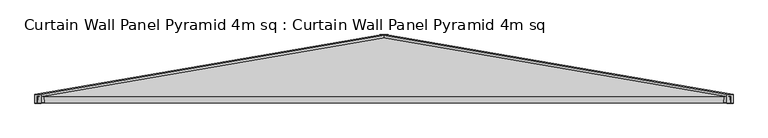
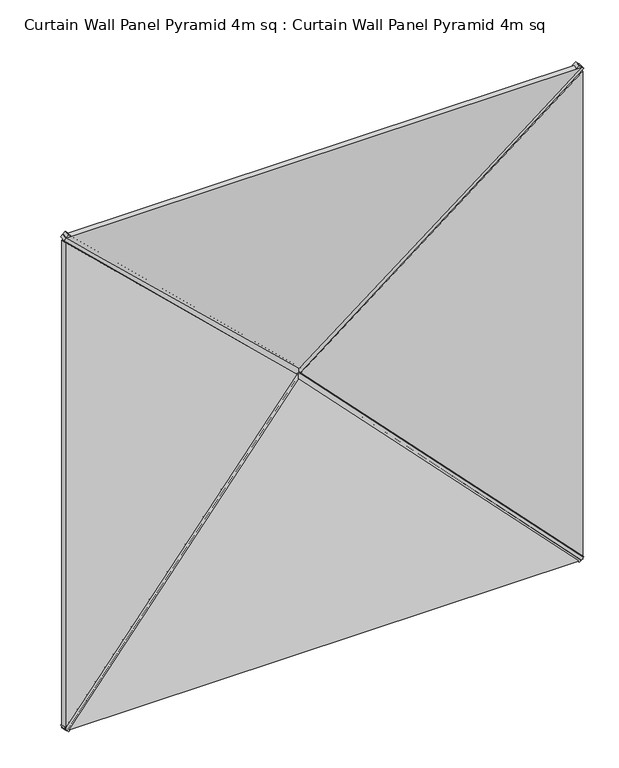
"""IFC4 building model written with IfcOpenShell, lengths in millimetres: plate geometry, Curtain Wall Panel Pyramid 4m sq : Curtain Wall Panel Pyramid 4m sq."""

from ifc_helpers import new_model, si_unit, frame, origin, place, context, project, spatial, polyline, outline, extrude, source, transform, mapped, element, save


def curtain_wall_panel_pyramid_4m_sq_curtain_wall_panel_pyramid_1d44535d(model_context):
    return source(origin(), model_context, "Body", "SweptSolid", [
        extrude(outline(polyline([(-25.0, 0.0), (25.0, 0.0), (-319.5008531, -2828.2124727), (-369.5008531, -2828.2124727), (-25.0, 0.0)])), frame((1974.8223305, 25.0, -17.6776695), z_axis=(0.7071067811865489, 0.0, 0.7071067811865462), x_axis=(0.0, -1.0, 0.0)), (0.0, 0.0, 1.0), 50.0),
        extrude(outline(polyline([(-25.0, 0.0), (25.0, 0.0), (369.5008531, -2828.2124727), (319.5008531, -2828.2124727), (-25.0, 0.0)])), frame((-1974.8223305, 25.0, -17.6776695), z_axis=(-0.7071067811865476, 0.0, 0.7071067811865476), x_axis=(0.0, 1.0, 0.0)), (0.0, 0.0, 1.0), 50.0),
        extrude(outline(polyline([(-25.0, 0.0), (25.0, 0.0), (369.5008531, -2828.2124727), (319.5008531, -2828.2124727), (-25.0, 0.0)])), frame((-2010.1776695, 25.0, 4007.3223305), z_axis=(0.7071067811865488, 0.0, 0.7071067811865462), x_axis=(0.0, 1.0, 0.0)), (0.0, 0.0, 1.0), 50.0),
        extrude(outline(polyline([(-25.0, 0.0), (25.0, 0.0), (-319.5008531, -2828.2124727), (-369.5008531, -2828.2124727), (-25.0, 0.0)])), frame((2010.1776695, 25.0, 4007.3223305), z_axis=(-0.7071067811865472, 0.0, 0.7071067811865479), x_axis=(0.0, -1.0, 0.0)), (0.0, 0.0, 1.0), 50.0),
        extrude(outline(polyline([(1993.2098768, -1014.7271131), (-2.1709376, 1016.8143409), (3988.5906912, 1016.8143409), (1993.2098768, -1014.7271131)])), frame((1000.0, 172.8335872, 0.0), z_axis=(0.16975307948003834, 0.9854866270056859, 0.0), x_axis=(0.0, 0.0, 1.0)), (0.0, 0.0, 1.0), 40.0),
        extrude(outline(polyline([(0.0, -1014.7271131), (-1991.3928218, 1012.7540773), (1991.3928218, 1012.7540773), (0.0, -1014.7271131)])), frame((0.0, 212.2530523, 986.4197536), z_axis=(0.0, -0.9854866270056859, 0.16975307948003834), x_axis=(-1.0, 0.0, 0.0)), (0.0, 0.0, 1.0), 40.0),
        extrude(outline(polyline([(1993.2098768, 1014.7271131), (3986.6374086, -1014.8256606), (-0.217655, -1014.8256606), (1993.2098768, 1014.7271131)])), frame((-1000.0, 172.8335872, 0.0), z_axis=(-0.16975307948003834, 0.9854866270056859, 0.0), x_axis=(0.0, 0.0, 1.0)), (0.0, 0.0, 1.0), 40.0),
        extrude(outline(polyline([(1996.304868, -1017.8221042), (-1996.2959025, -1017.8221042), (2.4233431, 976.0594205), (1996.304868, -1017.8221042)])), frame((0.0, 172.8335872, 3018.2098768), z_axis=(0.0, 0.9854866270056859, 0.16975307948003832), x_axis=(1.0, 0.0, 0.0)), (0.0, 0.0, 1.0), 40.0),
    ])


if __name__ == "__main__":
    model = new_model("IFC4")
    model_context = context("Model", 3, world=origin())
    ifc_project = project(units=[si_unit("LENGTHUNIT", "METRE", prefix="MILLI")], contexts=[model_context])
    site = spatial("IfcSite", under=ifc_project)
    building = spatial("IfcBuilding", under=site)
    placement = place(None, origin())
    curtain_wall_panel_pyramid_4m_sq_curtain_wall_panel_pyramid_shape = curtain_wall_panel_pyramid_4m_sq_curtain_wall_panel_pyramid_1d44535d(model_context)
    element("IfcPlate", 1, ObjectType="Curtain Wall Panel Pyramid 4m sq : Curtain Wall Panel Pyramid 4m sq", at=placement, inside=building, context=model_context, shape_type="MappedRepresentation", body=[
        mapped(curtain_wall_panel_pyramid_4m_sq_curtain_wall_panel_pyramid_shape, transform((0.0, 0.0, 0.0), x_axis=(1.0, 0.0, 0.0), y_axis=(0.0, 1.0, 0.0), z_axis=(0.0, 0.0, 1.0))),
    ])
    save(model, "model.ifc")
